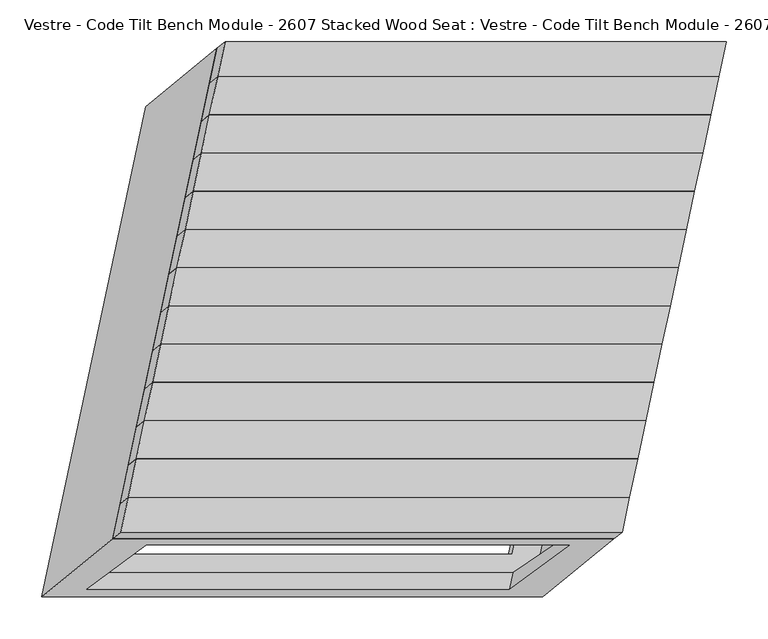
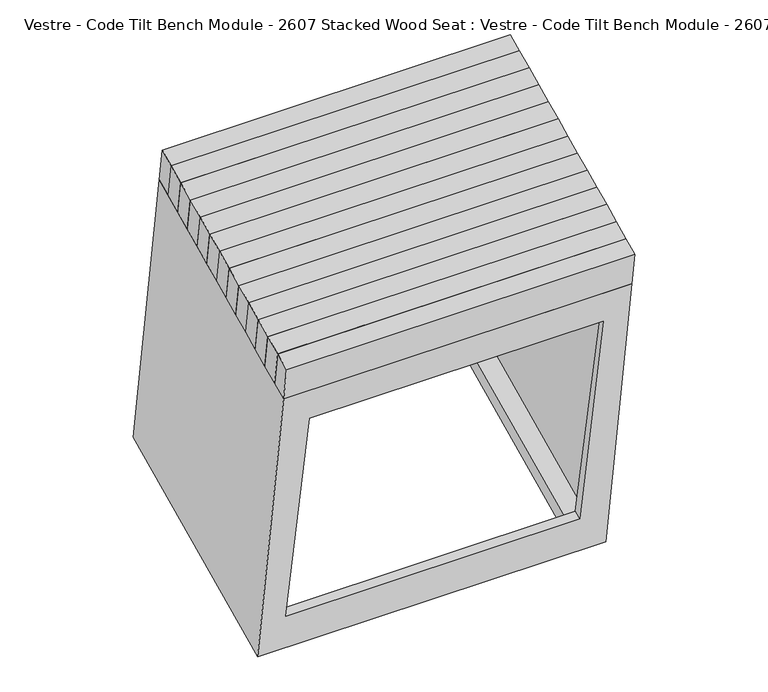
"""IFC4 building model written with IfcOpenShell, lengths in millimetres: furniture geometry, Vestre - Code Tilt Bench Module - 2607 Stacked Wood Seat : Vestre - Code Tilt Bench Module - 2607 Stacked Wood Seat."""

from ifc_helpers import new_model, si_unit, origin, place, context, project, spatial, faceted_brep, source, transform, mapped, element, save


def vestre_code_tilt_bench_module_2607_stacked_wood_seat_vestre_91a5fd84(model_context):
    return source(origin(), model_context, "Body", "Brep", [
        faceted_brep([(244.0437897, -104.6578383, 862.9456861), (253.7680564, -58.9087607, 862.9456861), (-346.2319436, -58.9087607, 862.9456861), (-355.9562103, -104.6578383, 862.9456861), (234.3979186, -112.5534159, 817.7590999), (-365.6020814, -112.5534159, 817.7590999), (-355.8778148, -66.8043382, 817.7590999), (244.1221852, -66.8043382, 817.7590999)], [[[0, 1, 2, 3]], [[4, 5, 6, 7]], [[5, 4, 0, 3]], [[6, 5, 3, 2]], [[7, 6, 2, 1]], [[4, 7, 1, 0]]]),
        faceted_brep([(253.7680564, -58.9087607, 862.9456861), (263.492323, -13.159683, 862.9456861), (-336.507677, -13.159683, 862.9456861), (-346.2319436, -58.9087607, 862.9456861), (244.1221852, -66.8043382, 817.7590999), (-355.8778148, -66.8043382, 817.7590999), (-346.1535481, -21.0552605, 817.7590999), (253.8464519, -21.0552605, 817.7590999)], [[[0, 1, 2, 3]], [[4, 5, 6, 7]], [[5, 4, 0, 3]], [[6, 5, 3, 2]], [[7, 6, 2, 1]], [[4, 7, 1, 0]]]),
        faceted_brep([(263.492323, -13.159683, 862.9456861), (273.2165897, 32.5893947, 862.9456861), (-326.7834103, 32.5893947, 862.9456861), (-336.507677, -13.159683, 862.9456861), (253.8464519, -21.0552605, 817.7590999), (-346.1535481, -21.0552605, 817.7590999), (-336.4292815, 24.6938171, 817.7590999), (263.5707185, 24.6938171, 817.7590999)], [[[0, 1, 2, 3]], [[4, 5, 6, 7]], [[5, 4, 0, 3]], [[6, 5, 3, 2]], [[7, 6, 2, 1]], [[4, 7, 1, 0]]]),
        faceted_brep([(273.2165897, 32.5893947, 862.9456861), (282.9408563, 78.3384723, 862.9456861), (-317.0591437, 78.3384723, 862.9456861), (-326.7834103, 32.5893947, 862.9456861), (263.5707185, 24.6938171, 817.7590999), (-336.4292815, 24.6938171, 817.7590999), (-326.7050148, 70.4428948, 817.7590999), (273.2949852, 70.4428948, 817.7590999)], [[[0, 1, 2, 3]], [[4, 5, 6, 7]], [[5, 4, 0, 3]], [[6, 5, 3, 2]], [[7, 6, 2, 1]], [[4, 7, 1, 0]]]),
        faceted_brep([(282.9408563, 78.3384723, 862.9456861), (292.665123, 124.08755, 862.9456861), (-307.334877, 124.08755, 862.9456861), (-317.0591437, 78.3384723, 862.9456861), (273.2949852, 70.4428948, 817.7590999), (-326.7050148, 70.4428948, 817.7590999), (-316.9807482, 116.1919724, 817.7590999), (283.0192518, 116.1919724, 817.7590999)], [[[0, 1, 2, 3]], [[4, 5, 6, 7]], [[5, 4, 0, 3]], [[6, 5, 3, 2]], [[7, 6, 2, 1]], [[4, 7, 1, 0]]]),
        faceted_brep([(292.665123, 124.08755, 862.9456861), (302.3893896, 169.8366276, 862.9456861), (-297.6106104, 169.8366276, 862.9456861), (-307.334877, 124.08755, 862.9456861), (283.0192518, 116.1919724, 817.7590999), (-316.9807482, 116.1919724, 817.7590999), (-307.2564815, 161.9410501, 817.7590999), (292.7435185, 161.9410501, 817.7590999)], [[[0, 1, 2, 3]], [[4, 5, 6, 7]], [[5, 4, 0, 3]], [[6, 5, 3, 2]], [[7, 6, 2, 1]], [[4, 7, 1, 0]]]),
        faceted_brep([(302.3893896, 169.8366276, 862.9456861), (312.1136563, 215.5857053, 862.9456861), (-287.8863437, 215.5857053, 862.9456861), (-297.6106104, 169.8366276, 862.9456861), (292.7435185, 161.9410501, 817.7590999), (-307.2564815, 161.9410501, 817.7590999), (-297.5322149, 207.6901278, 817.7590999), (302.4677851, 207.6901278, 817.7590999)], [[[0, 1, 2, 3]], [[4, 5, 6, 7]], [[5, 4, 0, 3]], [[6, 5, 3, 2]], [[7, 6, 2, 1]], [[4, 7, 1, 0]]]),
        faceted_brep([(312.1136563, 215.5857053, 862.9456861), (321.8379229, 261.334783, 862.9456861), (-278.1620771, 261.334783, 862.9456861), (-287.8863437, 215.5857053, 862.9456861), (302.4677851, 207.6901278, 817.7590999), (-297.5322149, 207.6901278, 817.7590999), (-287.8079482, 253.4392054, 817.7590999), (312.1920518, 253.4392054, 817.7590999)], [[[0, 1, 2, 3]], [[4, 5, 6, 7]], [[5, 4, 0, 3]], [[6, 5, 3, 2]], [[7, 6, 2, 1]], [[4, 7, 1, 0]]]),
        faceted_brep([(321.8379229, 261.334783, 862.9456861), (331.5621895, 307.0838606, 862.9456861), (-268.4378105, 307.0838606, 862.9456861), (-278.1620771, 261.334783, 862.9456861), (312.1920518, 253.4392054, 817.7590999), (-287.8079482, 253.4392054, 817.7590999), (-278.0836816, 299.1882831, 817.7590999), (321.9163184, 299.1882831, 817.7590999)], [[[0, 1, 2, 3]], [[4, 5, 6, 7]], [[5, 4, 0, 3]], [[6, 5, 3, 2]], [[7, 6, 2, 1]], [[4, 7, 1, 0]]]),
        faceted_brep([(331.5621895, 307.0838606, 862.9456861), (341.2864562, 352.8329383, 862.9456861), (-258.7135438, 352.8329383, 862.9456861), (-268.4378105, 307.0838606, 862.9456861), (321.9163184, 299.1882831, 817.7590999), (-278.0836816, 299.1882831, 817.7590999), (-268.3594149, 344.9373608, 817.7590999), (331.6405851, 344.9373608, 817.7590999)], [[[0, 1, 2, 3]], [[4, 5, 6, 7]], [[5, 4, 0, 3]], [[6, 5, 3, 2]], [[7, 6, 2, 1]], [[4, 7, 1, 0]]]),
        faceted_brep([(341.2864562, 352.8329383, 862.9456861), (351.0107228, 398.5820159, 862.9456861), (-248.9892772, 398.5820159, 862.9456861), (-258.7135438, 352.8329383, 862.9456861), (331.6405851, 344.9373608, 817.7590999), (-268.3594149, 344.9373608, 817.7590999), (-258.6351483, 390.6864384, 817.7590999), (341.3648517, 390.6864384, 817.7590999)], [[[0, 1, 2, 3]], [[4, 5, 6, 7]], [[5, 4, 0, 3]], [[6, 5, 3, 2]], [[7, 6, 2, 1]], [[4, 7, 1, 0]]]),
        faceted_brep([(235.1533674, -146.4839869, 862.9456861), (244.0437897, -104.6578383, 862.9456861), (-355.9562103, -104.6578383, 862.9456861), (-364.8466326, -146.4839869, 862.9456861), (225.5082596, -154.3759734, 817.7590999), (-374.4917404, -154.3759734, 817.7590999), (-365.6020814, -112.5534159, 817.7590999), (234.3979186, -112.5534159, 817.7590999)], [[[0, 1, 2, 3]], [[4, 5, 6, 7]], [[5, 4, 0, 3]], [[6, 5, 3, 2]], [[7, 6, 2, 1]], [[4, 7, 1, 0]]]),
        faceted_brep([(-249.744726, 432.512587, 817.7590999), (-374.4917404, -154.3759734, 817.7590999), (225.5082596, -154.3759734, 817.7590999), (350.255274, 432.512587, 817.7590999), (-208.6618234, 381.7550373, 817.7590999), (287.594671, 381.7550373, 817.7590999), (181.9894462, -115.0784827, 817.7590999), (-314.2670481, -115.0784827, 817.7590999), (-334.6932278, 362.9784336, 419.8134138), (265.3067722, 362.9784336, 419.8134138), (140.5597577, -223.9101268, 419.8134138), (-459.4402423, -223.9101268, 419.8134138), (202.6461691, 312.2208839, 419.8134138), (-293.6103253, 312.2208839, 419.8134138), (-397.172905, -175.0027468, 419.8134138), (99.0835894, -175.0027468, 419.8134138), (-334.09591, -162.2506881, 772.6919126), (171.9626845, -162.2506881, 772.6919126), (100.3471348, -215.1734882, 469.8134138), (-405.7114596, -215.1734882, 469.8134138), (-212.211096, 378.8497987, 801.1323473), (284.0453984, 378.8497987, 801.1323473), (206.7306515, 315.5642157, 438.9473846), (-289.5258429, 315.5642157, 438.9473846), (178.5255183, -117.5822061, 801.1323473), (103.0698576, -172.1214764, 438.9473846), (-317.730976, -117.5822061, 801.1323473), (-393.1866367, -172.1214764, 438.9473846), (-330.8611911, -147.0325322, 772.6919126), (175.1974034, -147.0325322, 772.6919126), (104.5597422, -195.3547287, 469.8134138), (-401.4988523, -195.3547287, 469.8134138), (-224.6981062, 402.504945, 801.1323473), (317.142409, 402.504945, 801.1323473), (201.2990829, -142.495055, 801.1323473), (-340.5414324, -142.495055, 801.1323473), (-322.5535579, 342.4122939, 438.9473846), (-437.9061944, -200.279193, 438.9473846), (131.2549878, -200.279193, 438.9473846), (246.6076242, 342.4122939, 438.9473846)], [[[0, 1, 2, 3], [4, 5, 6, 7]], [[8, 9, 10, 11], [12, 13, 14, 15]], [[0, 3, 9, 8]], [[3, 2, 10, 9]], [[2, 1, 11, 10], [16, 17, 18, 19]], [[1, 0, 8, 11]], [[5, 4, 20, 21]], [[13, 12, 22, 23]], [[6, 5, 21, 24]], [[12, 15, 25, 22]], [[7, 6, 24, 26]], [[15, 14, 27, 25]], [[4, 7, 26, 20]], [[14, 13, 23, 27]], [[17, 16, 28, 29]], [[19, 18, 30, 31]], [[18, 17, 29, 30]], [[16, 19, 31, 28]], [[32, 33, 34, 35], [21, 20, 26, 24]], [[36, 37, 38, 39], [23, 22, 25, 27]], [[33, 32, 36, 39]], [[34, 33, 39, 38]], [[35, 34, 38, 37], [29, 28, 31, 30]], [[32, 35, 37, 36]]]),
        faceted_brep([(351.0107228, 398.5820159, 862.9456861), (359.9011452, 440.4081645, 862.9456861), (-240.0988548, 440.4081645, 862.9456861), (-248.9892772, 398.5820159, 862.9456861), (341.3648517, 390.6864384, 817.7590999), (-258.6351483, 390.6864384, 817.7590999), (-249.744726, 432.512587, 817.7590999), (350.255274, 432.512587, 817.7590999)], [[[0, 1, 2, 3]], [[4, 5, 6, 7]], [[5, 4, 0, 3]], [[6, 5, 3, 2]], [[7, 6, 2, 1]], [[4, 7, 1, 0]]]),
    ])


if __name__ == "__main__":
    model = new_model("IFC4")
    model_context = context("Model", 3, world=origin())
    ifc_project = project(units=[si_unit("LENGTHUNIT", "METRE", prefix="MILLI")], contexts=[model_context])
    site = spatial("IfcSite", under=ifc_project)
    building = spatial("IfcBuilding", under=site)
    placement = place(None, origin())
    vestre_code_tilt_bench_module_2607_stacked_wood_seat_vestre_shape = vestre_code_tilt_bench_module_2607_stacked_wood_seat_vestre_91a5fd84(model_context)
    element("IfcFurniture", 1, ObjectType="Vestre - Code Tilt Bench Module - 2607 Stacked Wood Seat : Vestre - Code Tilt Bench Module - 2607 Stacked Wood Seat", at=placement, inside=building, context=model_context, shape_type="MappedRepresentation", body=[
        mapped(vestre_code_tilt_bench_module_2607_stacked_wood_seat_vestre_shape, transform((0.0, 0.0, 0.0), x_axis=(1.0, 0.0, 0.0), y_axis=(0.0, 1.0, 0.0), z_axis=(0.0, 0.0, 1.0))),
    ])
    save(model, "model.ifc")
